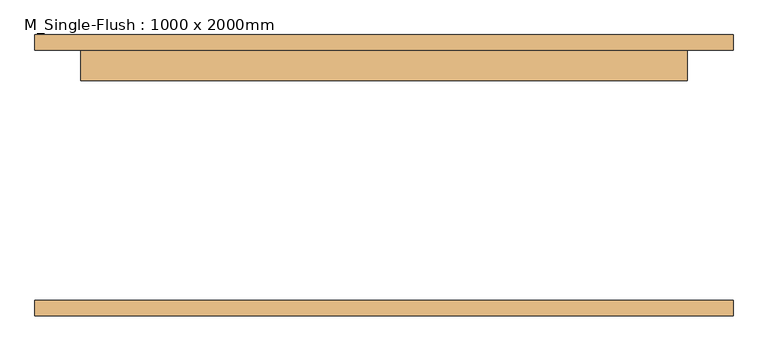
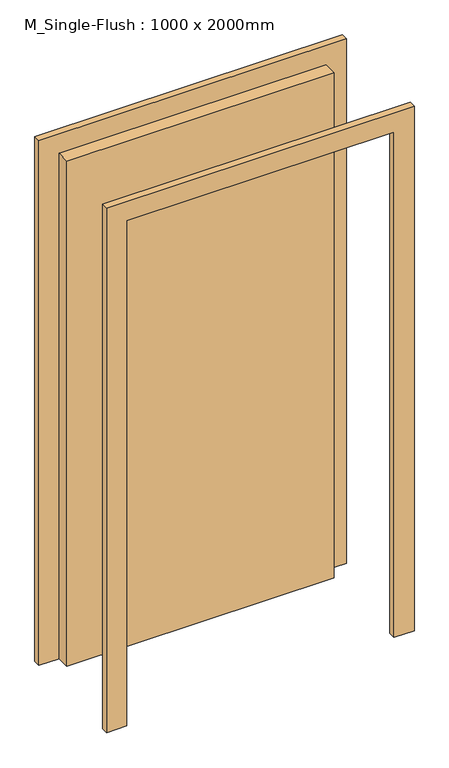
"""IFC4 building model written with IfcOpenShell, lengths in millimetres: door geometry, M_Single-Flush : 1000 x 2000mm."""

from ifc_helpers import new_model, si_unit, frame, origin, origin_with_axes, place, context, project, spatial, polyline, outline, extrude, source, transform, mapped, element, save


def m_single_flush_1000_x_2000mm_88dce8fb(model_context):
    return source(origin(), model_context, "Body", "SweptSolid", [
        extrude(outline(polyline([(2076.0, -576.0), (0.0, -576.0), (0.0, -500.0), (2000.0, -500.0), (2000.0, 500.0), (0.0, 500.0), (0.0, 576.0), (2076.0, 576.0), (2076.0, -576.0)])), frame((0.0, 207.0, 0.0), z_axis=(0.0, 1.0, 0.0), x_axis=(0.0, 0.0, 1.0)), (0.0, 0.0, 1.0), 25.0),
        extrude(outline(polyline([(2076.0, 576.0), (2076.0, -576.0), (0.0, -576.0), (0.0, -500.0), (2000.0, -500.0), (2000.0, 500.0), (0.0, 500.0), (0.0, 576.0), (2076.0, 576.0)])), frame((0.0, -232.0, 0.0), z_axis=(0.0, 1.0, 0.0), x_axis=(0.0, 0.0, 1.0)), (0.0, 0.0, 1.0), 25.0),
        extrude(outline(polyline([(500.0, 156.0), (-500.0, 156.0), (-500.0, 207.0), (500.0, 207.0), (500.0, 156.0)])), origin_with_axes(), (0.0, 0.0, 1.0), 2000.0),
    ])


if __name__ == "__main__":
    model = new_model("IFC4")
    model_context = context("Model", 3, world=origin())
    ifc_project = project(units=[si_unit("LENGTHUNIT", "METRE", prefix="MILLI")], contexts=[model_context])
    site = spatial("IfcSite", under=ifc_project)
    building = spatial("IfcBuilding", under=site)
    placement = place(None, origin())
    m_single_flush_1000_x_2000mm_shape = m_single_flush_1000_x_2000mm_88dce8fb(model_context)
    element("IfcDoor", 1, ObjectType="M_Single-Flush : 1000 x 2000mm", at=placement, inside=building, context=model_context, shape_type="MappedRepresentation", body=[
        mapped(m_single_flush_1000_x_2000mm_shape, transform((0.0, 0.0, 0.0), x_axis=(1.0, 0.0, 0.0), y_axis=(0.0, 1.0, 0.0), z_axis=(0.0, 0.0, 1.0))),
    ])
    save(model, "model.ifc")
